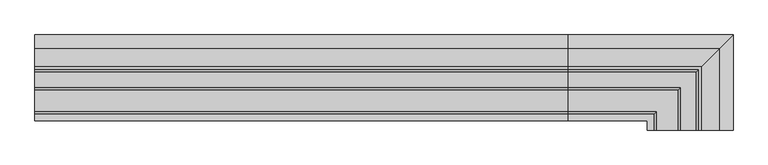
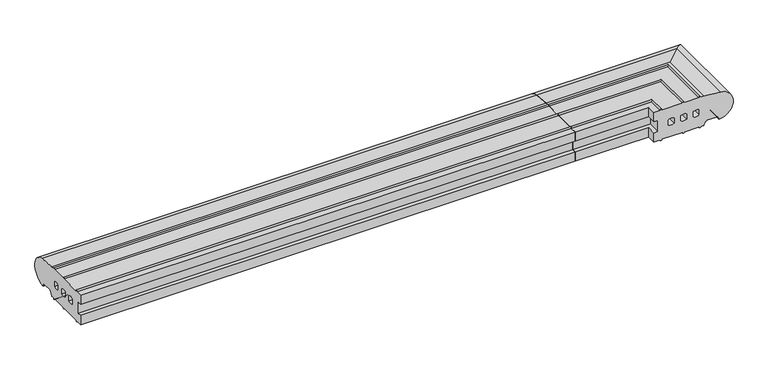
"""IFC4 building model written with IfcOpenShell, lengths in millimetres: proxy geometry."""

from ifc_helpers import new_model, si_unit, point, frame, frame_2d, origin, place, context, project, spatial, polyline, circle_curve, ellipse_curve, trimmed, segment, composite_curve, outline, extrude, source, transform, mapped, element, save
from ifc_brep_helpers import plane_surface, cylinder_surface, revolved_surface, advanced_brep


def generic_models_6ca5c87f(model_context):
    return source(origin(), model_context, "Body", "SolidModel", [
        advanced_brep(
        [(840.0, 26.5981483, 2.5074549), (840.0, 25.7072001, 3.0071443), (840.0, 23.6905989, 6.5), (840.0, 21.9585481, 7.5), (840.0, 5.4848276, 7.5), (840.0, 3.7527767, 6.5), (840.0, 0.2886751, 0.5), (840.0, -0.5773503, 0.0), (840.0, -5.0, 0.0), (840.0, -8.5, 0.0), (840.0, -33.0, 0.0), (840.0, -36.5, 0.0), (840.0, -71.0, 0.0), (840.0, -74.5, 0.0), (840.0, -85.0, 0.0), (840.0, -85.0, 16.5), (840.0, -78.0, 16.5), (840.0, -78.0, 36.5), (840.0, -85.0, 36.5), (840.0, -85.0, 52.8558627), (840.0, -74.5, 52.8558627), (840.0, -71.0, 52.8558627), (840.0, -36.5, 52.8558627), (840.0, -33.0, 52.8558627), (840.0, -8.5, 52.8558627), (840.0, -5.0, 52.8558627), (840.0, 0.0400993, 52.8558627), (840.0, 28.0858073, 50.4091909), (840.0, -8.0, 31.0), (840.0, -18.0, 31.0), (840.0, -18.0, 22.0), (840.0, -8.0, 22.0), (840.0, -29.0, 22.0), (840.0, -29.0, 31.0), (840.0, -39.0, 31.0), (840.0, -39.0, 22.0), (840.0, -50.0, 22.0), (840.0, -50.0, 31.0), (840.0, -60.0, 31.0), (840.0, -60.0, 22.0), (1076.5981483, -100.0, 2.5074549), (1078.0858073, -100.0, 50.4091909), (1050.0400993, -100.0, 52.8558627), (1045.0, -100.0, 52.8558627), (1041.5, -100.0, 52.8558627), (1017.0, -100.0, 52.8558627), (1013.5, -100.0, 52.8558627), (979.0, -100.0, 52.8558627), (975.5, -100.0, 52.8558627), (965.0, -100.0, 52.8558627), (965.0, -100.0, 36.5), (972.0, -100.0, 36.5), (972.0, -100.0, 16.5), (965.0, -100.0, 16.5), (965.0, -100.0, 0.0), (975.5, -100.0, 0.0), (979.0, -100.0, 0.0), (1013.5, -100.0, 0.0), (1017.0, -100.0, 0.0), (1041.5, -100.0, 0.0), (1045.0, -100.0, 0.0), (1049.4226497, -100.0, 0.0), (1050.2886751, -100.0, 0.5), (1053.7527767, -100.0, 6.5), (1055.4848276, -100.0, 7.5), (1071.9585481, -100.0, 7.5), (1073.6905989, -100.0, 6.5), (1075.7072001, -100.0, 3.0071443), (1042.0, -100.0, 31.0), (1042.0, -100.0, 22.0), (1032.0, -100.0, 22.0), (1032.0, -100.0, 31.0), (1021.0, -100.0, 22.0), (1011.0, -100.0, 22.0), (1011.0, -100.0, 31.0), (1021.0, -100.0, 31.0), (1000.0, -100.0, 22.0), (990.0, -100.0, 22.0), (990.0, -100.0, 31.0), (1000.0, -100.0, 31.0), (1076.5981483, 26.5981483, 2.5074549), (1075.7072001, 25.7072001, 3.0071443), (1073.6905989, 23.6905989, 6.5), (1071.9585481, 21.9585481, 7.5), (1055.4848276, 5.4848276, 7.5), (1053.7527767, 3.7527767, 6.5), (1050.2886751, 0.2886751, 0.5), (1049.4226497, -0.5773503, 0.0), (1045.0, -5.0, 0.0), (1041.5, -8.5, 0.0), (1017.0, -33.0, 0.0), (1013.5, -36.5, 0.0), (979.0, -71.0, 0.0), (975.5, -74.5, 0.0), (965.0, -85.0, 0.0), (965.0, -85.0, 16.5), (972.0, -78.0, 16.5), (972.0, -78.0, 36.5), (965.0, -85.0, 36.5), (965.0, -85.0, 52.8558627), (975.5, -74.5, 52.8558627), (979.0, -71.0, 52.8558627), (1013.5, -36.5, 52.8558627), (1017.0, -33.0, 52.8558627), (1041.5, -8.5, 52.8558627), (1045.0, -5.0, 52.8558627), (1050.0400993, 0.0400993, 52.8558627), (1078.0858073, 28.0858073, 50.4091909), (1042.0, -8.0, 31.0), (1032.0, -18.0, 31.0), (1032.0, -18.0, 22.0), (1042.0, -8.0, 22.0), (1021.0, -29.0, 22.0), (1021.0, -29.0, 31.0), (1011.0, -39.0, 31.0), (1011.0, -39.0, 22.0), (1000.0, -50.0, 22.0), (1000.0, -50.0, 31.0), (990.0, -60.0, 31.0), (990.0, -60.0, 22.0)],
        [
            (0, 1, circle_curve(frame((840.0, 26.5732255, 3.5071443), z_axis=(-1.0, 0.0, 0.0), x_axis=(0.0, 1.0, 0.0)), 1.0)),
            (1, 2),
            (2, 3, circle_curve(frame((840.0, 21.9585481, 5.5), z_axis=(1.0, 0.0, 0.0), x_axis=(0.0, 1.0, 0.0)), 2.0)),
            (3, 4),
            (4, 5, circle_curve(frame((840.0, 5.4848276, 5.5), z_axis=(1.0, 0.0, 0.0), x_axis=(0.0, 1.0, 0.0)), 2.0)),
            (5, 6),
            (6, 7, circle_curve(frame((840.0, -0.5773503, 1.0), z_axis=(-1.0, 0.0, 0.0), x_axis=(0.0, 1.0, 0.0)), 1.0)),
            (7, 8),
            (8, 9, circle_curve(frame((840.0, -6.75, 0.0), z_axis=(-1.0, 0.0, 0.0), x_axis=(0.0, 1.0, 0.0)), 1.75)),
            (9, 10),
            (10, 11, circle_curve(frame((840.0, -34.75, 0.0), z_axis=(-1.0, 0.0, 0.0), x_axis=(0.0, 1.0, 0.0)), 1.75)),
            (11, 12),
            (12, 13, circle_curve(frame((840.0, -72.75, 0.0), z_axis=(-1.0, 0.0, 0.0), x_axis=(0.0, 1.0, 0.0)), 1.75)),
            (13, 14),
            (14, 15),
            (15, 16),
            (16, 17),
            (17, 18),
            (18, 19),
            (19, 20),
            (20, 21, circle_curve(frame((840.0, -72.75, 52.8558627), z_axis=(-1.0, 0.0, 0.0), x_axis=(0.0, 1.0, 0.0)), 1.75)),
            (21, 22),
            (22, 23, circle_curve(frame((840.0, -34.75, 52.8558627), z_axis=(-1.0, 0.0, 0.0), x_axis=(0.0, 1.0, 0.0)), 1.75)),
            (23, 24),
            (24, 25, circle_curve(frame((840.0, -6.75, 52.8558627), z_axis=(-1.0, 0.0, 0.0), x_axis=(0.0, 1.0, 0.0)), 1.75)),
            (25, 26),
            (26, 27),
            (27, 0, circle_curve(frame((840.0, 26.0, 26.5), z_axis=(-1.0, 0.0, 0.0), x_axis=(0.0, 1.0, 0.0)), 24.0)),
            (28, 29, circle_curve(frame((840.0, -13.0, 23.4166667), z_axis=(1.0, 0.0, 0.0), x_axis=(0.0, 1.0, 0.0)), 9.0833333)),
            (29, 30),
            (30, 31, circle_curve(frame((840.0, -13.0, 29.5833333), z_axis=(1.0, 0.0, 0.0), x_axis=(0.0, 1.0, 0.0)), 9.0833333)),
            (31, 28),
            (32, 33),
            (33, 34, circle_curve(frame((840.0, -34.0, 23.4166667), z_axis=(1.0, 0.0, 0.0), x_axis=(0.0, 1.0, 0.0)), 9.0833333)),
            (34, 35),
            (35, 32, circle_curve(frame((840.0, -34.0, 29.5833333), z_axis=(1.0, 0.0, 0.0), x_axis=(0.0, 1.0, 0.0)), 9.0833333)),
            (36, 37),
            (37, 38, circle_curve(frame((840.0, -55.0, 23.4166667), z_axis=(1.0, 0.0, 0.0), x_axis=(0.0, 1.0, 0.0)), 9.0833333)),
            (38, 39),
            (39, 36, circle_curve(frame((840.0, -55.0, 29.5833333), z_axis=(1.0, 0.0, 0.0), x_axis=(0.0, 1.0, 0.0)), 9.0833333)),
            (40, 41, circle_curve(frame((1076.0, -100.0, 26.5), z_axis=(0.0, -1.0, 0.0), x_axis=(1.0, 0.0, 0.0)), 24.0)),
            (41, 42),
            (42, 43),
            (43, 44, circle_curve(frame((1043.25, -100.0, 52.8558627), z_axis=(0.0, -1.0, 0.0), x_axis=(1.0, 0.0, 0.0)), 1.75)),
            (44, 45),
            (45, 46, circle_curve(frame((1015.25, -100.0, 52.8558627), z_axis=(0.0, -1.0, 0.0), x_axis=(1.0, 0.0, 0.0)), 1.75)),
            (46, 47),
            (47, 48, circle_curve(frame((977.25, -100.0, 52.8558627), z_axis=(0.0, -1.0, 0.0), x_axis=(1.0, 0.0, 0.0)), 1.75)),
            (48, 49),
            (49, 50),
            (50, 51),
            (51, 52),
            (52, 53),
            (53, 54),
            (54, 55),
            (55, 56, circle_curve(frame((977.25, -100.0, 0.0), z_axis=(0.0, -1.0, 0.0), x_axis=(1.0, 0.0, 0.0)), 1.75)),
            (56, 57),
            (57, 58, circle_curve(frame((1015.25, -100.0, 0.0), z_axis=(0.0, -1.0, 0.0), x_axis=(1.0, 0.0, 0.0)), 1.75)),
            (58, 59),
            (59, 60, circle_curve(frame((1043.25, -100.0, 0.0), z_axis=(0.0, -1.0, 0.0), x_axis=(1.0, 0.0, 0.0)), 1.75)),
            (60, 61),
            (61, 62, circle_curve(frame((1049.4226497, -100.0, 1.0), z_axis=(0.0, -1.0, 0.0), x_axis=(1.0, 0.0, 0.0)), 1.0)),
            (62, 63),
            (63, 64, circle_curve(frame((1055.4848276, -100.0, 5.5), z_axis=(0.0, 1.0, 0.0), x_axis=(1.0, 0.0, 0.0)), 2.0)),
            (64, 65),
            (65, 66, circle_curve(frame((1071.9585481, -100.0, 5.5), z_axis=(0.0, 1.0, 0.0), x_axis=(1.0, 0.0, 0.0)), 2.0)),
            (66, 67),
            (67, 40, circle_curve(frame((1076.5732255, -100.0, 3.5071443), z_axis=(0.0, -1.0, 0.0), x_axis=(1.0, 0.0, 0.0)), 1.0)),
            (68, 69),
            (69, 70, circle_curve(frame((1037.0, -100.0, 29.5833333), z_axis=(0.0, 1.0, 0.0), x_axis=(1.0, 0.0, 0.0)), 9.0833333)),
            (70, 71),
            (71, 68, circle_curve(frame((1037.0, -100.0, 23.4166667), z_axis=(0.0, 1.0, 0.0), x_axis=(1.0, 0.0, 0.0)), 9.0833333)),
            (72, 73, circle_curve(frame((1016.0, -100.0, 29.5833333), z_axis=(0.0, 1.0, 0.0), x_axis=(1.0, 0.0, 0.0)), 9.0833333)),
            (73, 74),
            (74, 75, circle_curve(frame((1016.0, -100.0, 23.4166667), z_axis=(0.0, 1.0, 0.0), x_axis=(1.0, 0.0, 0.0)), 9.0833333)),
            (75, 72),
            (76, 77, circle_curve(frame((995.0, -100.0, 29.5833333), z_axis=(0.0, 1.0, 0.0), x_axis=(1.0, 0.0, 0.0)), 9.0833333)),
            (77, 78),
            (78, 79, circle_curve(frame((995.0, -100.0, 23.4166667), z_axis=(0.0, 1.0, 0.0), x_axis=(1.0, 0.0, 0.0)), 9.0833333)),
            (79, 76),
            (0, 80),
            (80, 81, ellipse_curve(frame((1076.5732255, 26.5732255, 3.5071443), z_axis=(-0.7071067811865471, 0.7071067811865478, 0.0), x_axis=(-0.707106781186548, -0.7071067811865471, 0.0)), 1.4142136, 1.0)),
            (81, 1),
            (81, 82),
            (82, 2),
            (82, 83, ellipse_curve(frame((1071.9585481, 21.9585481, 5.5), z_axis=(0.7071067811865471, -0.7071067811865478, 0.0), x_axis=(0.707106781186548, 0.7071067811865471, 0.0)), 2.8284271, 2.0)),
            (83, 3),
            (83, 65),
            (64, 84),
            (84, 4),
            (84, 85, ellipse_curve(frame((1055.4848276, 5.4848276, 5.5), z_axis=(0.7071067811865471, -0.7071067811865478, 0.0), x_axis=(0.707106781186548, 0.7071067811865471, 0.0)), 2.8284271, 2.0)),
            (85, 5),
            (85, 86),
            (86, 6),
            (86, 87, ellipse_curve(frame((1049.4226497, -0.5773503, 1.0), z_axis=(-0.7071067811865471, 0.7071067811865478, 0.0), x_axis=(-0.707106781186548, -0.7071067811865471, 0.0)), 1.4142136, 1.0)),
            (87, 7),
            (87, 61),
            (60, 88),
            (88, 8),
            (88, 89, ellipse_curve(frame((1043.25, -6.75, 0.0), z_axis=(-0.7071067811865471, 0.7071067811865478, 0.0), x_axis=(-0.707106781186548, -0.7071067811865471, 0.0)), 2.4748737, 1.75)),
            (89, 9),
            (89, 59),
            (58, 90),
            (90, 10),
            (90, 91, ellipse_curve(frame((1015.25, -34.75, 0.0), z_axis=(-0.7071067811865471, 0.7071067811865478, 0.0), x_axis=(-0.707106781186548, -0.7071067811865471, 0.0)), 2.4748737, 1.75)),
            (91, 11),
            (91, 57),
            (56, 92),
            (92, 12),
            (92, 93, ellipse_curve(frame((977.25, -72.75, 0.0), z_axis=(-0.7071067811865471, 0.7071067811865478, 0.0), x_axis=(-0.707106781186548, -0.7071067811865471, 0.0)), 2.4748737, 1.75)),
            (93, 13),
            (93, 55),
            (54, 94),
            (94, 14),
            (94, 95),
            (95, 15),
            (95, 53),
            (52, 96),
            (96, 16),
            (96, 97),
            (97, 17),
            (97, 51),
            (50, 98),
            (98, 18),
            (98, 99),
            (99, 19),
            (99, 49),
            (48, 100),
            (100, 20),
            (100, 101, ellipse_curve(frame((977.25, -72.75, 52.8558627), z_axis=(-0.7071067811865471, 0.7071067811865478, 0.0), x_axis=(-0.707106781186548, -0.7071067811865471, 0.0)), 2.4748737, 1.75)),
            (101, 21),
            (101, 47),
            (46, 102),
            (102, 22),
            (102, 103, ellipse_curve(frame((1015.25, -34.75, 52.8558627), z_axis=(-0.7071067811865471, 0.7071067811865478, 0.0), x_axis=(-0.707106781186548, -0.7071067811865471, 0.0)), 2.4748737, 1.75)),
            (103, 23),
            (103, 45),
            (44, 104),
            (104, 24),
            (104, 105, ellipse_curve(frame((1043.25, -6.75, 52.8558627), z_axis=(-0.7071067811865471, 0.7071067811865478, 0.0), x_axis=(-0.707106781186548, -0.7071067811865471, 0.0)), 2.4748737, 1.75)),
            (105, 25),
            (105, 43),
            (42, 106),
            (106, 26),
            (106, 107),
            (107, 27),
            (107, 80, ellipse_curve(frame((1076.0, 26.0, 26.5), z_axis=(-0.7071067811865471, 0.7071067811865478, 0.0), x_axis=(-0.707106781186548, -0.7071067811865471, 0.0)), 33.9411255, 24.0)),
            (28, 108),
            (108, 109, ellipse_curve(frame((1037.0, -13.0, 23.4166667), z_axis=(0.7071067811865471, -0.7071067811865478, 0.0), x_axis=(0.707106781186548, 0.7071067811865471, 0.0)), 12.8457732, 9.0833333)),
            (109, 29),
            (109, 110),
            (110, 30),
            (110, 111, ellipse_curve(frame((1037.0, -13.0, 29.5833333), z_axis=(0.7071067811865471, -0.7071067811865478, 0.0), x_axis=(0.707106781186548, 0.7071067811865471, 0.0)), 12.8457732, 9.0833333)),
            (111, 31),
            (111, 108),
            (32, 112),
            (112, 113),
            (113, 33),
            (113, 114, ellipse_curve(frame((1016.0, -34.0, 23.4166667), z_axis=(0.7071067811865471, -0.7071067811865478, 0.0), x_axis=(0.707106781186548, 0.7071067811865471, 0.0)), 12.8457732, 9.0833333)),
            (114, 34),
            (114, 115),
            (115, 35),
            (115, 112, ellipse_curve(frame((1016.0, -34.0, 29.5833333), z_axis=(0.7071067811865471, -0.7071067811865478, 0.0), x_axis=(0.707106781186548, 0.7071067811865471, 0.0)), 12.8457732, 9.0833333)),
            (36, 116),
            (116, 117),
            (117, 37),
            (117, 118, ellipse_curve(frame((995.0, -55.0, 23.4166667), z_axis=(0.7071067811865471, -0.7071067811865478, 0.0), x_axis=(0.707106781186548, 0.7071067811865471, 0.0)), 12.8457732, 9.0833333)),
            (118, 38),
            (118, 119),
            (119, 39),
            (119, 116, ellipse_curve(frame((995.0, -55.0, 29.5833333), z_axis=(0.7071067811865471, -0.7071067811865478, 0.0), x_axis=(0.707106781186548, 0.7071067811865471, 0.0)), 12.8457732, 9.0833333)),
            (80, 40),
            (67, 81),
            (66, 82),
            (63, 85),
            (62, 86),
            (41, 107),
            (108, 68),
            (71, 109),
            (70, 110),
            (69, 111),
            (112, 72),
            (75, 113),
            (74, 114),
            (73, 115),
            (116, 76),
            (79, 117),
            (78, 118),
            (77, 119),
        ],
        [
            plane_surface(frame((840.0, 0.0, 0.0), z_axis=(-1.0, 0.0, 0.0), x_axis=(0.0, 0.0, 1.0))),
            plane_surface(frame((1050.0, -100.0, 0.0), z_axis=(0.0, -1.0, 0.0), x_axis=(0.0, 0.0, 1.0))),
            cylinder_surface(frame((840.0, 26.5732255, 3.5071443), z_axis=(-1.0, 0.0, 0.0), x_axis=(0.0, 1.0, 0.0)), 1.0),
            plane_surface(frame((840.0, 25.7072001, 3.0071443), z_axis=(0.0, -0.8660254037844395, -0.4999999999999987), x_axis=(1.0, 0.0, 0.0))),
            revolved_surface(polyline([(1073.9585480825017, 23.9585481, 5.5), (840.0, 23.9585481, 5.5)]), (840.0, 21.9585481, 5.5), (1.0, 0.0, 0.0)),
            plane_surface(frame((840.0, 21.9585481, 7.5), z_axis=(0.0, 0.0, -1.0), x_axis=(1.0, 0.0, 0.0))),
            revolved_surface(polyline([(1057.4848275825018, 7.4848276, 5.5), (840.0, 7.4848276, 5.5)]), (840.0, 5.4848276, 5.5), (1.0, 0.0, 0.0)),
            plane_surface(frame((840.0, 3.7527767, 6.5), z_axis=(0.0, 0.8660254037844367, -0.5000000000000033), x_axis=(1.0, 0.0, 0.0))),
            cylinder_surface(frame((840.0, -0.5773503, 1.0), z_axis=(-1.0, 0.0, 0.0), x_axis=(0.0, 1.0, 0.0)), 1.0),
            plane_surface(frame((840.0, -0.5773503, 0.0), z_axis=(0.0, 0.0, -1.0), x_axis=(1.0, 0.0, 0.0))),
            cylinder_surface(frame((840.0, -6.75, 0.0), z_axis=(-1.0, 0.0, 0.0), x_axis=(0.0, 1.0, 0.0)), 1.75),
            plane_surface(frame((840.0, -8.5, 0.0), z_axis=(0.0, 0.0, -1.0), x_axis=(1.0, 0.0, 0.0))),
            cylinder_surface(frame((840.0, -34.75, 0.0), z_axis=(-1.0, 0.0, 0.0), x_axis=(0.0, 1.0, 0.0)), 1.75),
            plane_surface(frame((840.0, -36.5, 0.0), z_axis=(0.0, 0.0, -1.0), x_axis=(1.0, 0.0, 0.0))),
            cylinder_surface(frame((840.0, -72.75, 0.0), z_axis=(-1.0, 0.0, 0.0), x_axis=(0.0, 1.0, 0.0)), 1.75),
            plane_surface(frame((840.0, -74.5, 0.0), z_axis=(0.0, 0.0, -1.0), x_axis=(1.0, 0.0, 0.0))),
            plane_surface(frame((840.0, -85.0, 0.0), z_axis=(0.0, -1.0, 0.0), x_axis=(1.0, 0.0, 0.0))),
            plane_surface(frame((840.0, -85.0, 16.5), z_axis=(0.0, 0.0, 1.0), x_axis=(1.0, 0.0, 0.0))),
            plane_surface(frame((840.0, -78.0, 16.5), z_axis=(0.0, -1.0, 0.0), x_axis=(1.0, 0.0, 0.0))),
            plane_surface(frame((840.0, -78.0, 36.5), z_axis=(0.0, 0.0, -1.0), x_axis=(1.0, 0.0, 0.0))),
            plane_surface(frame((840.0, -85.0, 36.5), z_axis=(0.0, -1.0, 0.0), x_axis=(1.0, 0.0, 0.0))),
            plane_surface(frame((840.0, -85.0, 52.8558627), z_axis=(0.0, 0.0, 1.0), x_axis=(1.0, 0.0, 0.0))),
            cylinder_surface(frame((840.0, -72.75, 52.8558627), z_axis=(-1.0, 0.0, 0.0), x_axis=(0.0, 1.0, 0.0)), 1.75),
            plane_surface(frame((840.0, -71.0, 52.8558627), z_axis=(0.0, 0.0, 1.0), x_axis=(1.0, 0.0, 0.0))),
            cylinder_surface(frame((840.0, -34.75, 52.8558627), z_axis=(-1.0, 0.0, 0.0), x_axis=(0.0, 1.0, 0.0)), 1.75),
            plane_surface(frame((840.0, -33.0, 52.8558627), z_axis=(0.0, 0.0, 1.0), x_axis=(1.0, 0.0, 0.0))),
            cylinder_surface(frame((840.0, -6.75, 52.8558627), z_axis=(-1.0, 0.0, 0.0), x_axis=(0.0, 1.0, 0.0)), 1.75),
            plane_surface(frame((840.0, -5.0, 52.8558627), z_axis=(0.0, 0.0, 1.0), x_axis=(1.0, 0.0, 0.0))),
            plane_surface(frame((840.0, 0.0400993, 52.8558627), z_axis=(0.0, 0.0869086394462769, 0.9962162859487879), x_axis=(1.0, 0.0, 0.0))),
            cylinder_surface(frame((840.0, 26.0, 26.5), z_axis=(-1.0, 0.0, 0.0), x_axis=(0.0, 1.0, 0.0)), 24.0),
            revolved_surface(polyline([(1046.0833333393043, -3.9166667000000004, 23.4166667), (840.0, -3.9166667000000004, 23.4166667)]), (840.0, -13.0, 23.4166667), (1.0, 0.0, 0.0)),
            plane_surface(frame((840.0, -18.0, 31.0), z_axis=(0.0, 1.0, 0.0), x_axis=(1.0, 0.0, 0.0))),
            revolved_surface(polyline([(1046.0833333393043, -3.9166667000000004, 29.5833333), (840.0, -3.9166667000000004, 29.5833333)]), (840.0, -13.0, 29.5833333), (1.0, 0.0, 0.0)),
            plane_surface(frame((840.0, -8.0, 22.0), z_axis=(0.0, -1.0, 0.0), x_axis=(1.0, 0.0, 0.0))),
            plane_surface(frame((840.0, -29.0, 22.0), z_axis=(0.0, -1.0, 0.0), x_axis=(1.0, 0.0, 0.0))),
            revolved_surface(polyline([(1025.0833333393043, -24.9166667, 23.4166667), (840.0, -24.9166667, 23.4166667)]), (840.0, -34.0, 23.4166667), (1.0, 0.0, 0.0)),
            plane_surface(frame((840.0, -39.0, 31.0), z_axis=(0.0, 1.0, 0.0), x_axis=(1.0, 0.0, 0.0))),
            revolved_surface(polyline([(1025.0833333393043, -24.9166667, 29.5833333), (840.0, -24.9166667, 29.5833333)]), (840.0, -34.0, 29.5833333), (1.0, 0.0, 0.0)),
            plane_surface(frame((840.0, -50.0, 22.0), z_axis=(0.0, -1.0, 0.0), x_axis=(1.0, 0.0, 0.0))),
            revolved_surface(polyline([(1004.0833333393044, -45.9166667, 23.4166667), (840.0, -45.9166667, 23.4166667)]), (840.0, -55.0, 23.4166667), (1.0, 0.0, 0.0)),
            plane_surface(frame((840.0, -60.0, 31.0), z_axis=(0.0, 1.0, 0.0), x_axis=(1.0, 0.0, 0.0))),
            revolved_surface(polyline([(1004.0833333393044, -45.9166667, 29.5833333), (840.0, -45.9166667, 29.5833333)]), (840.0, -55.0, 29.5833333), (1.0, 0.0, 0.0)),
            cylinder_surface(frame((1076.5732255, 0.0, 3.5071443), z_axis=(0.0, 1.0, 0.0), x_axis=(1.0, 0.0, 0.0)), 1.0),
            plane_surface(frame((1075.7072001, 25.7072001, 3.0071443), z_axis=(-0.8660254037844395, 0.0, -0.4999999999999987), x_axis=(0.0, -1.0, 0.0))),
            revolved_surface(polyline([(1073.9585481, -100.0, 5.5), (1073.9585481, 23.958548082501803, 5.5)]), (1071.9585481, 0.0, 5.5), (0.0, -1.0, 0.0)),
            revolved_surface(polyline([(1057.4848276, -100.0, 5.5), (1057.4848276, 7.4848275825018, 5.5)]), (1055.4848276, 0.0, 5.5), (0.0, -1.0, 0.0)),
            plane_surface(frame((1053.7527767, 3.7527767, 6.5), z_axis=(0.8660254037844367, 0.0, -0.5000000000000033), x_axis=(0.0, -1.0, 0.0))),
            cylinder_surface(frame((1049.4226497, 0.0, 1.0), z_axis=(0.0, 1.0, 0.0), x_axis=(1.0, 0.0, 0.0)), 1.0),
            cylinder_surface(frame((1043.25, 0.0, 0.0), z_axis=(0.0, 1.0, 0.0), x_axis=(1.0, 0.0, 0.0)), 1.75),
            cylinder_surface(frame((1015.25, 0.0, 0.0), z_axis=(0.0, 1.0, 0.0), x_axis=(1.0, 0.0, 0.0)), 1.75),
            cylinder_surface(frame((977.25, 0.0, 0.0), z_axis=(0.0, 1.0, 0.0), x_axis=(1.0, 0.0, 0.0)), 1.75),
            plane_surface(frame((965.0, -85.0, 0.0), z_axis=(-1.0, 0.0, 0.0), x_axis=(0.0, -1.0, 0.0))),
            plane_surface(frame((972.0, -78.0, 16.5), z_axis=(-1.0, 0.0, 0.0), x_axis=(0.0, -1.0, 0.0))),
            plane_surface(frame((965.0, -85.0, 36.5), z_axis=(-1.0, 0.0, 0.0), x_axis=(0.0, -1.0, 0.0))),
            cylinder_surface(frame((977.25, 0.0, 52.8558627), z_axis=(0.0, 1.0, 0.0), x_axis=(1.0, 0.0, 0.0)), 1.75),
            cylinder_surface(frame((1015.25, 0.0, 52.8558627), z_axis=(0.0, 1.0, 0.0), x_axis=(1.0, 0.0, 0.0)), 1.75),
            cylinder_surface(frame((1043.25, 0.0, 52.8558627), z_axis=(0.0, 1.0, 0.0), x_axis=(1.0, 0.0, 0.0)), 1.75),
            plane_surface(frame((1050.0400993, 0.0400993, 52.8558627), z_axis=(0.0869086394462769, 0.0, 0.9962162859487879), x_axis=(0.0, -1.0, 0.0))),
            cylinder_surface(frame((1076.0, 0.0, 26.5), z_axis=(0.0, 1.0, 0.0), x_axis=(1.0, 0.0, 0.0)), 24.0),
            revolved_surface(polyline([(1046.0833333, -100.0, 23.4166667), (1046.0833333, -3.916666660695588, 23.4166667)]), (1037.0, 0.0, 23.4166667), (0.0, -1.0, 0.0)),
            plane_surface(frame((1032.0, -18.0, 31.0), z_axis=(1.0, 0.0, 0.0), x_axis=(0.0, -1.0, 0.0))),
            revolved_surface(polyline([(1046.0833333, -100.0, 29.5833333), (1046.0833333, -3.916666660695588, 29.5833333)]), (1037.0, 0.0, 29.5833333), (0.0, -1.0, 0.0)),
            plane_surface(frame((1042.0, -8.0, 22.0), z_axis=(-1.0, 0.0, 0.0), x_axis=(0.0, -1.0, 0.0))),
            plane_surface(frame((1021.0, -29.0, 22.0), z_axis=(-1.0, 0.0, 0.0), x_axis=(0.0, -1.0, 0.0))),
            revolved_surface(polyline([(1025.0833333, -100.0, 23.4166667), (1025.0833333, -24.91666666069559, 23.4166667)]), (1016.0, 0.0, 23.4166667), (0.0, -1.0, 0.0)),
            plane_surface(frame((1011.0, -39.0, 31.0), z_axis=(1.0, 0.0, 0.0), x_axis=(0.0, -1.0, 0.0))),
            revolved_surface(polyline([(1025.0833333, -100.0, 29.5833333), (1025.0833333, -24.91666666069559, 29.5833333)]), (1016.0, 0.0, 29.5833333), (0.0, -1.0, 0.0)),
            plane_surface(frame((1000.0, -50.0, 22.0), z_axis=(-1.0, 0.0, 0.0), x_axis=(0.0, -1.0, 0.0))),
            revolved_surface(polyline([(1004.0833333, -100.0, 23.4166667), (1004.0833333, -45.91666666069559, 23.4166667)]), (995.0, 0.0, 23.4166667), (0.0, -1.0, 0.0)),
            plane_surface(frame((990.0, -60.0, 31.0), z_axis=(1.0, 0.0, 0.0), x_axis=(0.0, -1.0, 0.0))),
            revolved_surface(polyline([(1004.0833333, -100.0, 29.5833333), (1004.0833333, -45.91666666069559, 29.5833333)]), (995.0, 0.0, 29.5833333), (0.0, -1.0, 0.0)),
        ],
        [
            (0, [[1, 2, 3, 4, 5, 6, 7, 8, 9, 10, 11, 12, 13, 14, 15, 16, 17, 18, 19, 20, 21, 22, 23, 24, 25, 26, 27, 28], [29, 30, 31, 32], [33, 34, 35, 36], [37, 38, 39, 40]]),
            (1, [[41, 42, 43, 44, 45, 46, 47, 48, 49, 50, 51, 52, 53, 54, 55, 56, 57, 58, 59, 60, 61, 62, 63, 64, 65, 66, 67, 68], [69, 70, 71, 72], [73, 74, 75, 76], [77, 78, 79, 80]]),
            (2, [[-1, 81, 82, 83]]),
            (3, [[-2, -83, 84, 85]]),
            (4, [[-3, -85, 86, 87]]),
            (5, [[-4, -87, 88, -65, 89, 90]]),
            (6, [[-5, -90, 91, 92]]),
            (7, [[-6, -92, 93, 94]]),
            (8, [[-7, -94, 95, 96]]),
            (9, [[-8, -96, 97, -61, 98, 99]]),
            (10, [[-9, -99, 100, 101]]),
            (11, [[-10, -101, 102, -59, 103, 104]]),
            (12, [[-11, -104, 105, 106]]),
            (13, [[-12, -106, 107, -57, 108, 109]]),
            (14, [[-13, -109, 110, 111]]),
            (15, [[-14, -111, 112, -55, 113, 114]]),
            (16, [[-15, -114, 115, 116]]),
            (17, [[-16, -116, 117, -53, 118, 119]]),
            (18, [[-17, -119, 120, 121]]),
            (19, [[-18, -121, 122, -51, 123, 124]]),
            (20, [[-19, -124, 125, 126]]),
            (21, [[-20, -126, 127, -49, 128, 129]]),
            (22, [[-21, -129, 130, 131]]),
            (23, [[-22, -131, 132, -47, 133, 134]]),
            (24, [[-23, -134, 135, 136]]),
            (25, [[-24, -136, 137, -45, 138, 139]]),
            (26, [[-25, -139, 140, 141]]),
            (27, [[-26, -141, 142, -43, 143, 144]]),
            (28, [[-27, -144, 145, 146]]),
            (29, [[-28, -146, 147, -81]]),
            (30, [[-29, 148, 149, 150]]),
            (31, [[-30, -150, 151, 152]]),
            (32, [[-31, -152, 153, 154]]),
            (33, [[-32, -154, 155, -148]]),
            (34, [[-33, 156, 157, 158]]),
            (35, [[-34, -158, 159, 160]]),
            (36, [[-35, -160, 161, 162]]),
            (37, [[-36, -162, 163, -156]]),
            (38, [[-37, 164, 165, 166]]),
            (39, [[-38, -166, 167, 168]]),
            (40, [[-39, -168, 169, 170]]),
            (41, [[-40, -170, 171, -164]]),
            (42, [[-82, 172, -68, 173]]),
            (43, [[-84, -173, -67, 174]]),
            (44, [[-86, -174, -66, -88]]),
            (45, [[-91, -89, -64, 175]]),
            (46, [[-93, -175, -63, 176]]),
            (47, [[-95, -176, -62, -97]]),
            (48, [[-100, -98, -60, -102]]),
            (49, [[-105, -103, -58, -107]]),
            (50, [[-110, -108, -56, -112]]),
            (51, [[-115, -113, -54, -117]]),
            (52, [[-120, -118, -52, -122]]),
            (53, [[-125, -123, -50, -127]]),
            (54, [[-130, -128, -48, -132]]),
            (55, [[-135, -133, -46, -137]]),
            (56, [[-140, -138, -44, -142]]),
            (57, [[-145, -143, -42, 177]]),
            (58, [[-147, -177, -41, -172]]),
            (59, [[-149, 178, -72, 179]]),
            (60, [[-151, -179, -71, 180]]),
            (61, [[-153, -180, -70, 181]]),
            (62, [[-155, -181, -69, -178]]),
            (63, [[-157, 182, -76, 183]]),
            (64, [[-159, -183, -75, 184]]),
            (65, [[-161, -184, -74, 185]]),
            (66, [[-163, -185, -73, -182]]),
            (67, [[-165, 186, -80, 187]]),
            (68, [[-167, -187, -79, 188]]),
            (69, [[-169, -188, -78, 189]]),
            (70, [[-171, -189, -77, -186]]),
        ],
    ),
        extrude(outline(composite_curve([segment(trimmed(circle_curve(frame_2d((26.5732255, 3.5071443)), 1.0), [point((26.5981483, 2.5074549))], [point((25.7072001, 3.0071443))], False, "CARTESIAN"), True, "CONTINUOUS"), segment(polyline([(25.7072001, 3.0071443), (23.6905989, 6.5)]), True, "CONTINUOUS"), segment(trimmed(circle_curve(frame_2d((21.9585481, 5.5)), 2.0), [point((23.6905989, 6.5))], [point((21.9585481, 7.5))], True, "CARTESIAN"), True, "CONTINUOUS"), segment(polyline([(21.9585481, 7.5), (5.4848276, 7.5)]), True, "CONTINUOUS"), segment(trimmed(circle_curve(frame_2d((5.4848276, 5.5)), 2.0), [point((5.4848276, 7.5))], [point((3.7527767, 6.5))], True, "CARTESIAN"), True, "CONTINUOUS"), segment(polyline([(3.7527767, 6.5), (0.2886751, 0.5)]), True, "CONTINUOUS"), segment(trimmed(circle_curve(frame_2d((-0.5773503, 1.0)), 1.0), [point((0.2886751, 0.5))], [point((-0.5773503, 0.0))], False, "CARTESIAN"), True, "CONTINUOUS"), segment(polyline([(-0.5773503, 0.0), (-5.0, 0.0)]), True, "CONTINUOUS"), segment(trimmed(circle_curve(frame_2d((-6.75, 0.0)), 1.75), [point((-5.0, 0.0))], [point((-8.5, 0.0))], False, "CARTESIAN"), True, "CONTINUOUS"), segment(polyline([(-8.5, 0.0), (-33.0, 0.0)]), True, "CONTINUOUS"), segment(trimmed(circle_curve(frame_2d((-34.75, 0.0)), 1.75), [point((-33.0, 0.0))], [point((-36.5, 0.0))], False, "CARTESIAN"), True, "CONTINUOUS"), segment(polyline([(-36.5, 0.0), (-71.0, 0.0)]), True, "CONTINUOUS"), segment(trimmed(circle_curve(frame_2d((-72.75, 0.0)), 1.75), [point((-71.0, 0.0))], [point((-74.5, 0.0))], False, "CARTESIAN"), True, "CONTINUOUS"), segment(polyline([(-74.5, 0.0), (-85.0, 0.0), (-85.0, 16.5), (-78.0, 16.5), (-78.0, 36.5), (-85.0, 36.5), (-85.0, 52.8558627), (-74.5, 52.8558627)]), True, "CONTINUOUS"), segment(trimmed(circle_curve(frame_2d((-72.75, 52.8558627)), 1.75), [point((-74.5, 52.8558627))], [point((-71.0, 52.8558627))], False, "CARTESIAN"), True, "CONTINUOUS"), segment(polyline([(-71.0, 52.8558627), (-36.5, 52.8558627)]), True, "CONTINUOUS"), segment(trimmed(circle_curve(frame_2d((-34.75, 52.8558627)), 1.75), [point((-36.5, 52.8558627))], [point((-33.0, 52.8558627))], False, "CARTESIAN"), True, "CONTINUOUS"), segment(polyline([(-33.0, 52.8558627), (-8.5, 52.8558627)]), True, "CONTINUOUS"), segment(trimmed(circle_curve(frame_2d((-6.75, 52.8558627)), 1.75), [point((-8.5, 52.8558627))], [point((-5.0, 52.8558627))], False, "CARTESIAN"), True, "CONTINUOUS"), segment(polyline([(-5.0, 52.8558627), (0.0400993, 52.8558627), (28.0858073, 50.4091909)]), True, "CONTINUOUS"), segment(trimmed(circle_curve(frame_2d((26.0, 26.5)), 24.0), [point((28.0858073, 50.4091909))], [point((26.5981483, 2.5074549))], False, "CARTESIAN"), True, "CONTINUOUS")], self_intersect=False), holes=[composite_curve([segment(trimmed(circle_curve(frame_2d((-13.0, 23.4166667)), 9.0833333), [point((-8.0, 31.0))], [point((-18.0, 31.0))], True, "CARTESIAN"), True, "CONTINUOUS"), segment(polyline([(-18.0, 31.0), (-18.0, 22.0)]), True, "CONTINUOUS"), segment(trimmed(circle_curve(frame_2d((-13.0, 29.5833333)), 9.0833333), [point((-18.0, 22.0))], [point((-8.0, 22.0))], True, "CARTESIAN"), True, "CONTINUOUS"), segment(polyline([(-8.0, 22.0), (-8.0, 31.0)]), True, "CONTINUOUS")], self_intersect=False), composite_curve([segment(polyline([(-29.0, 22.0), (-29.0, 31.0)]), True, "CONTINUOUS"), segment(trimmed(circle_curve(frame_2d((-34.0, 23.4166667)), 9.0833333), [point((-29.0, 31.0))], [point((-39.0, 31.0))], True, "CARTESIAN"), True, "CONTINUOUS"), segment(polyline([(-39.0, 31.0), (-39.0, 22.0)]), True, "CONTINUOUS"), segment(trimmed(circle_curve(frame_2d((-34.0, 29.5833333)), 9.0833333), [point((-39.0, 22.0))], [point((-29.0, 22.0))], True, "CARTESIAN"), True, "CONTINUOUS")], self_intersect=False), composite_curve([segment(polyline([(-50.0, 22.0), (-50.0, 31.0)]), True, "CONTINUOUS"), segment(trimmed(circle_curve(frame_2d((-55.0, 23.4166667)), 9.0833333), [point((-50.0, 31.0))], [point((-60.0, 31.0))], True, "CARTESIAN"), True, "CONTINUOUS"), segment(polyline([(-60.0, 31.0), (-60.0, 22.0)]), True, "CONTINUOUS"), segment(trimmed(circle_curve(frame_2d((-55.0, 29.5833333)), 9.0833333), [point((-60.0, 22.0))], [point((-50.0, 22.0))], True, "CARTESIAN"), True, "CONTINUOUS")], self_intersect=False)]), frame((0.0, 0.0, 0.0), z_axis=(1.0, 0.0, 0.0), x_axis=(0.0, 1.0, 0.0)), (0.0, 0.0, 1.0), 840.0),
    ])


if __name__ == "__main__":
    model = new_model("IFC4")
    model_context = context("Model", 3, world=origin())
    ifc_project = project(units=[si_unit("LENGTHUNIT", "METRE", prefix="MILLI")], contexts=[model_context])
    site = spatial("IfcSite", under=ifc_project)
    building = spatial("IfcBuilding", under=site)
    placement = place(None, origin())
    generic_models_shape = generic_models_6ca5c87f(model_context)
    element("IfcBuildingElementProxy", 1, Name="Generic Models", at=placement, inside=building, context=model_context, shape_type="MappedRepresentation", body=[
        mapped(generic_models_shape, transform((0.0, 0.0, 0.0), x_axis=(1.0, 0.0, 0.0), y_axis=(0.0, 1.0, 0.0), z_axis=(0.0, 0.0, 1.0))),
    ])
    save(model, "model.ifc")
